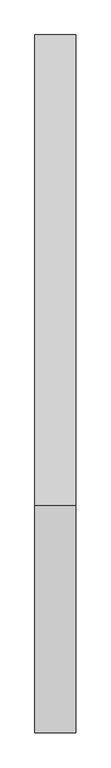
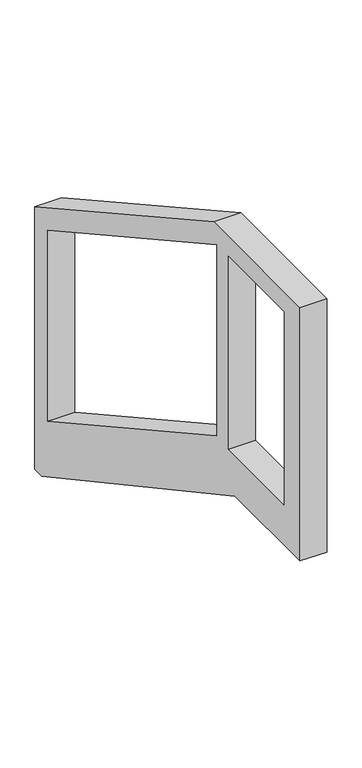
"""IFC4 building model written with IfcOpenShell, lengths in millimetres: railing geometry."""

from ifc_helpers import new_model, si_unit, frame, origin, place, context, project, spatial, polyline, outline, extrude, source, transform, mapped, element, save


def railing_f0a0c805(model_context):
    return source(origin(), model_context, "Body", "SweptSolid", [
        extrude(outline(polyline([(118055.5375648, 11367.7169484), (118055.5375648, 10329.9850633), (118011.5615232, 10329.9850633), (116759.966792, 11009.8636828), (116337.0929476, 11009.8636828), (116337.0929476, 12010.5326012), (116895.8674294, 12010.5326012), (118055.5375648, 11367.7169484)]), holes=[polyline([(116877.3136728, 11177.1883697), (117972.0059556, 10570.3905288), (117972.0059556, 11323.8420493), (116877.3136728, 11930.6398902), (116877.3136728, 11177.1883697)]), polyline([(116440.842582, 11168.6580569), (116801.9282934, 11168.6580569), (116801.9282934, 11932.0772616), (116440.842582, 11932.0772616), (116440.842582, 11168.6580569)])]), frame((-2762.5879952, 0.0, 0.0), z_axis=(1.0, 0.0, 0.0), x_axis=(0.0, 1.0, 0.0)), (0.0, 0.0, 1.0), 100.642217),
    ])


if __name__ == "__main__":
    model = new_model("IFC4")
    model_context = context("Model", 3, world=origin())
    ifc_project = project(units=[si_unit("LENGTHUNIT", "METRE", prefix="MILLI")], contexts=[model_context])
    site = spatial("IfcSite", under=ifc_project)
    building = spatial("IfcBuilding", under=site)
    placement = place(None, origin())
    railing_shape = railing_f0a0c805(model_context)
    element("IfcRailing", 1, at=placement, inside=building, context=model_context, shape_type="MappedRepresentation", body=[
        mapped(railing_shape, transform((0.0, 0.0, 0.0), x_axis=(1.0, 0.0, 0.0), y_axis=(0.0, 1.0, 0.0), z_axis=(0.0, 0.0, 1.0))),
    ])
    save(model, "model.ifc")
